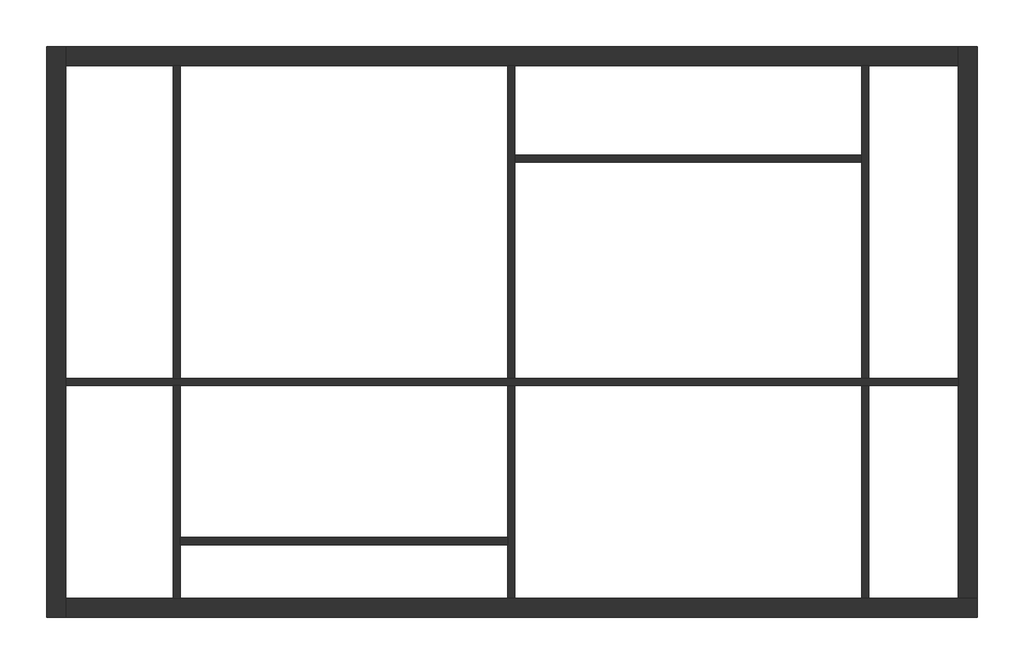
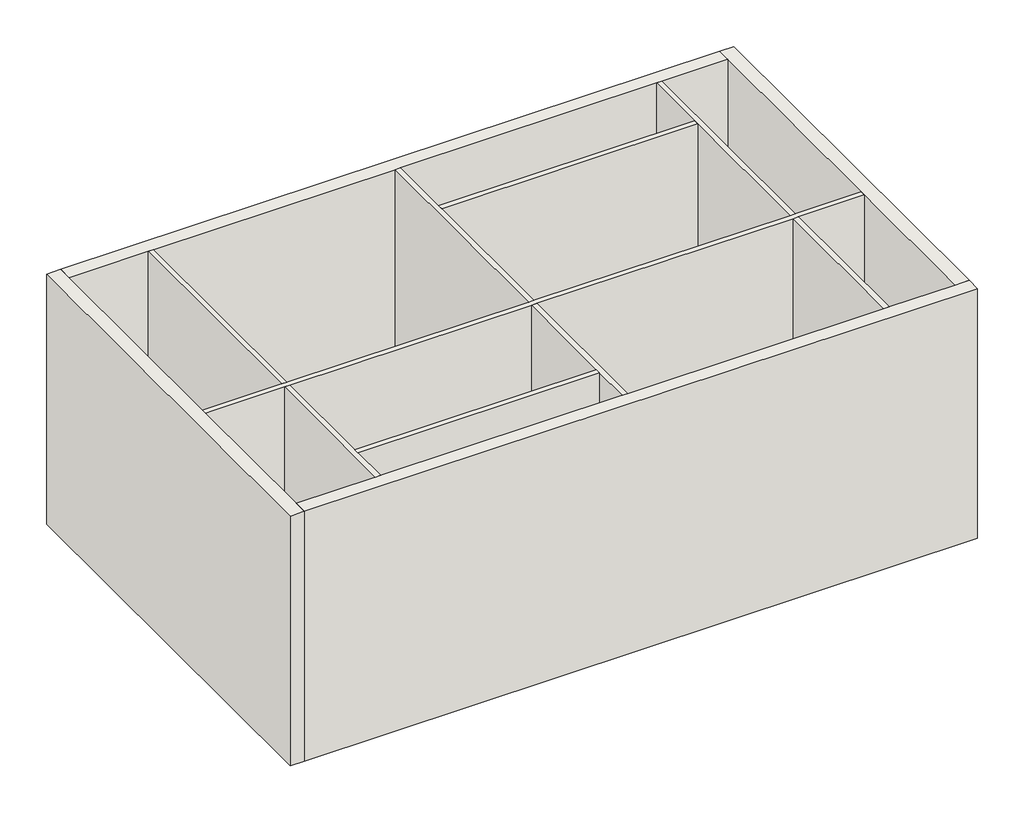
# One storey: 10 walls.
"""IFC4 building model written with IfcOpenShell, lengths in millimetres."""

from ifc_helpers import new_model, si_unit, origin, origin_with_axes, place, context, project, spatial, polyline, outline, extrude, faceted_brep, element, save

model = new_model("IFC4")

# Units and contexts
model_context = context("Model", 3, world=origin())
ifc_project = project(units=[si_unit("LENGTHUNIT", "METRE", prefix="MILLI")], contexts=[model_context])

# Site, building, storey
site = spatial("IfcSite", under=ifc_project)
building = spatial("IfcBuilding", under=site)
storey = spatial("IfcBuildingStorey", under=building, Elevation=0.0)

# Walls
placement = place(None, origin())
element("IfcWall", 1, at=placement, inside=storey, context=model_context, shape_type="Brep", body=[
    faceted_brep([(-3948.8295203, 13550.2038861, 0.0), (-3948.8295203, 7162.2038861, 0.0), (-3948.8295203, 7162.2038861, 4000.0), (-3948.8295203, 13550.2038861, 4000.0), (-3734.8295203, 13550.2038861, 0.0), (-3734.8295203, 13550.2038861, 4000.0), (-3734.8295203, 13336.2038861, 4000.0), (-3734.8295203, 9836.2038861, 4000.0), (-3734.8295203, 9756.2038861, 4000.0), (-3734.8295203, 7376.2038861, 4000.0), (-3734.8295203, 7162.2038861, 4000.0), (-3734.8295203, 7162.2038861, 0.0), (-3734.8295203, 7376.2038861, 0.0), (-3734.8295203, 9756.2038861, 0.0), (-3734.8295203, 9836.2038861, 0.0), (-3734.8295203, 13336.2038861, 0.0)], [[[0, 1, 2, 3]], [[4, 5, 6, 7, 8, 9, 10, 11, 12, 13, 14, 15]], [[1, 0, 4, 15, 14, 13, 12, 11]], [[3, 2, 10, 9, 8, 7, 6, 5]], [[2, 1, 11, 10]], [[0, 3, 5, 4]]]),
])
element("IfcWall", 2, at=placement, inside=storey, context=model_context, shape_type="Brep", body=[
    faceted_brep([(-3734.8295203, 7162.2038861, 0.0), (6459.1704797, 7162.2038861, 0.0), (6459.1704797, 7162.2038861, 4000.0), (-3734.8295203, 7162.2038861, 4000.0), (-3734.8295203, 7376.2038861, 0.0), (-3734.8295203, 7376.2038861, 4000.0), (-2534.8295203, 7376.2038861, 4000.0), (-2454.8295203, 7376.2038861, 4000.0), (1205.1704797, 7376.2038861, 4000.0), (1285.1704797, 7376.2038861, 4000.0), (5165.1704797, 7376.2038861, 4000.0), (5245.1704797, 7376.2038861, 4000.0), (6245.1704797, 7376.2038861, 4000.0), (6459.1704797, 7376.2038861, 4000.0), (6459.1704797, 7376.2038861, 0.0), (6245.1704797, 7376.2038861, 0.0), (5245.1704797, 7376.2038861, 0.0), (5165.1704797, 7376.2038861, 0.0), (1285.1704797, 7376.2038861, 0.0), (1205.1704797, 7376.2038861, 0.0), (-2454.8295203, 7376.2038861, 0.0), (-2534.8295203, 7376.2038861, 0.0)], [[[0, 1, 2, 3]], [[4, 5, 6, 7, 8, 9, 10, 11, 12, 13, 14, 15, 16, 17, 18, 19, 20, 21]], [[1, 0, 4, 21, 20, 19, 18, 17, 16, 15, 14]], [[3, 2, 13, 12, 11, 10, 9, 8, 7, 6, 5]], [[0, 3, 5, 4]], [[2, 1, 14, 13]]]),
])
element("IfcWall", 3, at=placement, inside=storey, context=model_context, shape_type="Brep", body=[
    faceted_brep([(6459.1704797, 7376.2038861, 0.0), (6459.1704797, 13550.2038861, 0.0), (6459.1704797, 13550.2038861, 4000.0), (6459.1704797, 7376.2038861, 4000.0), (6245.1704797, 7376.2038861, 0.0), (6245.1704797, 7376.2038861, 4000.0), (6245.1704797, 9756.2038861, 4000.0), (6245.1704797, 9836.2038861, 4000.0), (6245.1704797, 13336.2038861, 4000.0), (6245.1704797, 13550.2038861, 4000.0), (6245.1704797, 13550.2038861, 0.0), (6245.1704797, 13336.2038861, 0.0), (6245.1704797, 9836.2038861, 0.0), (6245.1704797, 9756.2038861, 0.0)], [[[0, 1, 2, 3]], [[4, 5, 6, 7, 8, 9, 10, 11, 12, 13]], [[1, 0, 4, 13, 12, 11, 10]], [[3, 2, 9, 8, 7, 6, 5]], [[0, 3, 5, 4]], [[2, 1, 10, 9]]]),
])
element("IfcWall", 4, at=placement, inside=storey, context=model_context, shape_type="Brep", body=[
    faceted_brep([(6245.1704797, 13550.2038861, 0.0), (-3734.8295203, 13550.2038861, 0.0), (-3734.8295203, 13550.2038861, 4000.0), (6245.1704797, 13550.2038861, 4000.0), (6245.1704797, 13336.2038861, 0.0), (6245.1704797, 13336.2038861, 4000.0), (5245.1704797, 13336.2038861, 4000.0), (5165.1704797, 13336.2038861, 4000.0), (1285.1704797, 13336.2038861, 4000.0), (1205.1704797, 13336.2038861, 4000.0), (-2454.8295203, 13336.2038861, 4000.0), (-2534.8295203, 13336.2038861, 4000.0), (-3734.8295203, 13336.2038861, 4000.0), (-3734.8295203, 13336.2038861, 0.0), (-2534.8295203, 13336.2038861, 0.0), (-2454.8295203, 13336.2038861, 0.0), (1205.1704797, 13336.2038861, 0.0), (1285.1704797, 13336.2038861, 0.0), (5165.1704797, 13336.2038861, 0.0), (5245.1704797, 13336.2038861, 0.0)], [[[0, 1, 2, 3]], [[4, 5, 6, 7, 8, 9, 10, 11, 12, 13, 14, 15, 16, 17, 18, 19]], [[1, 0, 4, 19, 18, 17, 16, 15, 14, 13]], [[3, 2, 12, 11, 10, 9, 8, 7, 6, 5]], [[0, 3, 5, 4]], [[2, 1, 13, 12]]]),
])
element("IfcWall", 5, at=placement, inside=storey, context=model_context, shape_type="Brep", body=[
    faceted_brep([(-3734.8295203, 9756.2038861, 0.0), (-2534.8295203, 9756.2038861, 0.0), (-2454.8295203, 9756.2038861, 0.0), (1205.1704797, 9756.2038861, 0.0), (1285.1704797, 9756.2038861, 0.0), (5165.1704797, 9756.2038861, 0.0), (5245.1704797, 9756.2038861, 0.0), (6245.1704797, 9756.2038861, 0.0), (6245.1704797, 9756.2038861, 4000.0), (5245.1704797, 9756.2038861, 4000.0), (5165.1704797, 9756.2038861, 4000.0), (1285.1704797, 9756.2038861, 4000.0), (1205.1704797, 9756.2038861, 4000.0), (-2454.8295203, 9756.2038861, 4000.0), (-2534.8295203, 9756.2038861, 4000.0), (-3734.8295203, 9756.2038861, 4000.0), (-3734.8295203, 9836.2038861, 0.0), (-3734.8295203, 9836.2038861, 4000.0), (-2534.8295203, 9836.2038861, 4000.0), (-2454.8295203, 9836.2038861, 4000.0), (1205.1704797, 9836.2038861, 4000.0), (1285.1704797, 9836.2038861, 4000.0), (5165.1704797, 9836.2038861, 4000.0), (5245.1704797, 9836.2038861, 4000.0), (6245.1704797, 9836.2038861, 4000.0), (6245.1704797, 9836.2038861, 0.0), (5245.1704797, 9836.2038861, 0.0), (5165.1704797, 9836.2038861, 0.0), (1285.1704797, 9836.2038861, 0.0), (1205.1704797, 9836.2038861, 0.0), (-2454.8295203, 9836.2038861, 0.0), (-2534.8295203, 9836.2038861, 0.0)], [[[0, 1, 2, 3, 4, 5, 6, 7, 8, 9, 10, 11, 12, 13, 14, 15]], [[16, 17, 18, 19, 20, 21, 22, 23, 24, 25, 26, 27, 28, 29, 30, 31]], [[7, 6, 5, 4, 3, 2, 1, 0, 16, 31, 30, 29, 28, 27, 26, 25]], [[15, 14, 13, 12, 11, 10, 9, 8, 24, 23, 22, 21, 20, 19, 18, 17]], [[0, 15, 17, 16]], [[8, 7, 25, 24]]]),
])
element("IfcWall", 6, at=placement, inside=storey, context=model_context, shape_type="Brep", body=[
    faceted_brep([(-2534.8295203, 7376.2038861, 0.0), (-2534.8295203, 7376.2038861, 4000.0), (-2534.8295203, 9756.2038861, 4000.0), (-2534.8295203, 9756.2038861, 0.0), (-2454.8295203, 7376.2038861, 4000.0), (-2454.8295203, 7376.2038861, 0.0), (-2454.8295203, 7976.2038861, 0.0), (-2454.8295203, 8056.2038861, 0.0), (-2454.8295203, 9756.2038861, 0.0), (-2454.8295203, 9756.2038861, 4000.0), (-2454.8295203, 8056.2038861, 4000.0), (-2454.8295203, 7976.2038861, 4000.0)], [[[0, 1, 2, 3]], [[4, 5, 6, 7, 8, 9, 10, 11]], [[5, 0, 3, 8, 7, 6]], [[1, 4, 11, 10, 9, 2]], [[1, 0, 5, 4]], [[3, 2, 9, 8]]]),
    faceted_brep([(-2534.8295203, 13336.2038861, 4000.0), (-2534.8295203, 13336.2038861, 0.0), (-2534.8295203, 9836.2038861, 0.0), (-2534.8295203, 9836.2038861, 4000.0), (-2454.8295203, 13336.2038861, 0.0), (-2454.8295203, 13336.2038861, 4000.0), (-2454.8295203, 9836.2038861, 4000.0), (-2454.8295203, 9836.2038861, 0.0)], [[[0, 1, 2, 3]], [[4, 5, 6, 7]], [[1, 4, 7, 2]], [[5, 0, 3, 6]], [[1, 0, 5, 4]], [[3, 2, 7, 6]]]),
])
element("IfcWall", 7, at=placement, inside=storey, context=model_context, shape_type="Brep", body=[
    faceted_brep([(1205.1704797, 7376.2038861, 0.0), (1205.1704797, 7376.2038861, 4000.0), (1205.1704797, 7976.2038861, 4000.0), (1205.1704797, 8056.2038861, 4000.0), (1205.1704797, 9756.2038861, 4000.0), (1205.1704797, 9756.2038861, 0.0), (1205.1704797, 8056.2038861, 0.0), (1205.1704797, 7976.2038861, 0.0), (1285.1704797, 7376.2038861, 4000.0), (1285.1704797, 7376.2038861, 0.0), (1285.1704797, 9756.2038861, 0.0), (1285.1704797, 9756.2038861, 4000.0)], [[[0, 1, 2, 3, 4, 5, 6, 7]], [[8, 9, 10, 11]], [[9, 0, 7, 6, 5, 10]], [[1, 8, 11, 4, 3, 2]], [[1, 0, 9, 8]], [[5, 4, 11, 10]]]),
    faceted_brep([(1205.1704797, 13336.2038861, 4000.0), (1205.1704797, 13336.2038861, 0.0), (1205.1704797, 9836.2038861, 0.0), (1205.1704797, 9836.2038861, 4000.0), (1285.1704797, 13336.2038861, 0.0), (1285.1704797, 13336.2038861, 4000.0), (1285.1704797, 12336.2038861, 4000.0), (1285.1704797, 12256.2038861, 4000.0), (1285.1704797, 9836.2038861, 4000.0), (1285.1704797, 9836.2038861, 0.0), (1285.1704797, 12256.2038861, 0.0), (1285.1704797, 12336.2038861, 0.0)], [[[0, 1, 2, 3]], [[4, 5, 6, 7, 8, 9, 10, 11]], [[1, 4, 11, 10, 9, 2]], [[5, 0, 3, 8, 7, 6]], [[1, 0, 5, 4]], [[3, 2, 9, 8]]]),
])
element("IfcWall", 8, at=placement, inside=storey, context=model_context, shape_type="Brep", body=[
    faceted_brep([(5165.1704797, 7376.2038861, 0.0), (5165.1704797, 7376.2038861, 4000.0), (5165.1704797, 9756.2038861, 4000.0), (5165.1704797, 9756.2038861, 0.0), (5245.1704797, 7376.2038861, 4000.0), (5245.1704797, 7376.2038861, 0.0), (5245.1704797, 9756.2038861, 0.0), (5245.1704797, 9756.2038861, 4000.0)], [[[0, 1, 2, 3]], [[4, 5, 6, 7]], [[5, 0, 3, 6]], [[1, 4, 7, 2]], [[1, 0, 5, 4]], [[3, 2, 7, 6]]]),
    faceted_brep([(5165.1704797, 13336.2038861, 4000.0), (5165.1704797, 13336.2038861, 0.0), (5165.1704797, 12336.2038861, 0.0), (5165.1704797, 12256.2038861, 0.0), (5165.1704797, 9836.2038861, 0.0), (5165.1704797, 9836.2038861, 4000.0), (5165.1704797, 12256.2038861, 4000.0), (5165.1704797, 12336.2038861, 4000.0), (5245.1704797, 13336.2038861, 0.0), (5245.1704797, 13336.2038861, 4000.0), (5245.1704797, 9836.2038861, 4000.0), (5245.1704797, 9836.2038861, 0.0)], [[[0, 1, 2, 3, 4, 5, 6, 7]], [[8, 9, 10, 11]], [[1, 8, 11, 4, 3, 2]], [[9, 0, 7, 6, 5, 10]], [[1, 0, 9, 8]], [[5, 4, 11, 10]]]),
])
element("IfcWall", 9, at=placement, inside=storey, context=model_context, shape_type="SweptSolid", body=[
    extrude(outline(polyline([(1205.1704797, 7976.2038861), (-2454.8295203, 7976.2038861), (-2454.8295203, 8056.2038861), (1205.1704797, 8056.2038861), (1205.1704797, 7976.2038861)])), origin_with_axes(), (0.0, 0.0, 1.0), 4000.0),
])
element("IfcWall", 10, at=placement, inside=storey, context=model_context, shape_type="SweptSolid", body=[
    extrude(outline(polyline([(5165.1704797, 12256.2038861), (1285.1704797, 12256.2038861), (1285.1704797, 12336.2038861), (5165.1704797, 12336.2038861), (5165.1704797, 12256.2038861)])), origin_with_axes(), (0.0, 0.0, 1.0), 4000.0),
])

save(model, "model.ifc")
